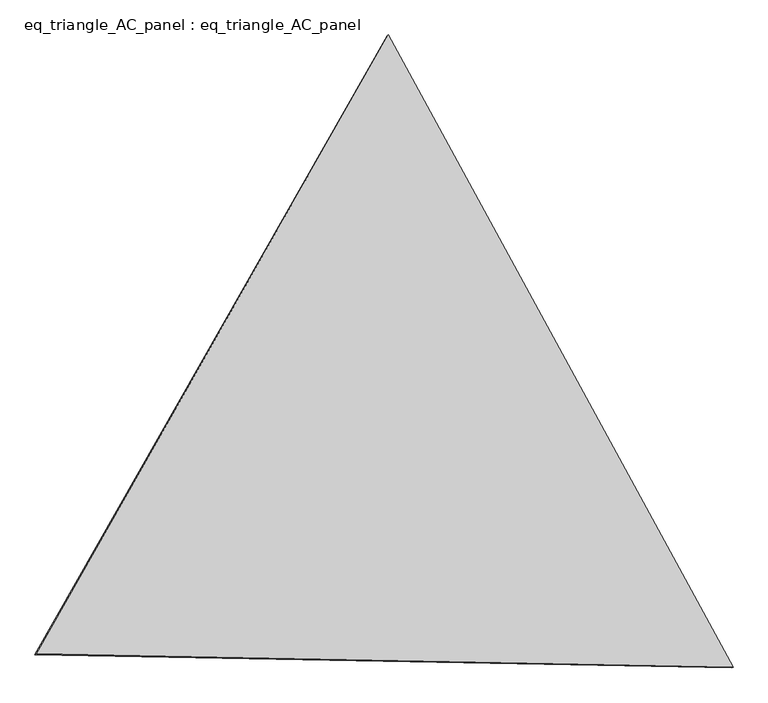
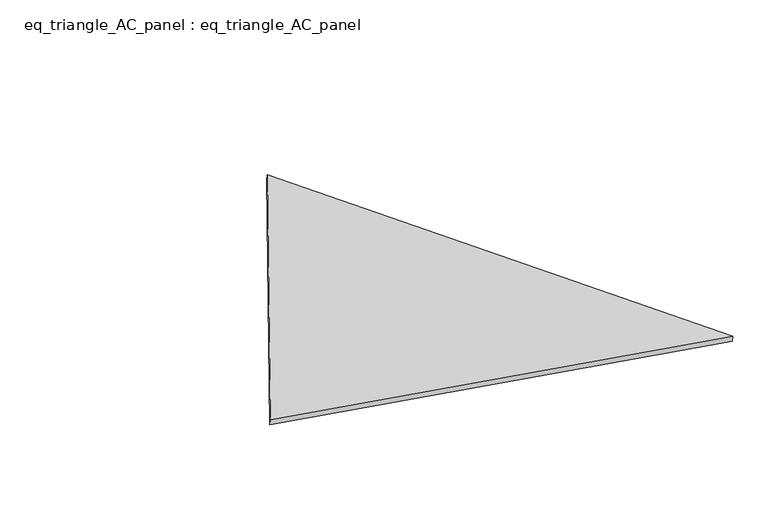
"""IFC4 building model written with IfcOpenShell, lengths in millimetres: proxy geometry, eq_triangle_AC_panel : eq_triangle_AC_panel."""

from ifc_helpers import new_model, si_unit, frame, origin, place, context, project, spatial, polyline, outline, extrude, source, transform, mapped, element, save


def eq_triangle_ac_panel_eq_triangle_ac_panel_65101434(model_context):
    return source(origin(), model_context, "Body", "SweptSolid", [
        extrude(outline(polyline([(-2091.3042311, 1173.1623944), (2032.8332138, 1173.1623944), (58.4710173, -2346.3247888), (-2091.3042311, 1173.1623944)])), frame((-6.3631761, 524.2531996, 46.6143561), z_axis=(0.14526328518058187, 0.08386570281802237, 0.9858321976225894), x_axis=(0.4785784215362578, -0.878034881364648, 0.004176307799055213)), (0.0, 0.0, 1.0), 43.8306294),
    ])


if __name__ == "__main__":
    model = new_model("IFC4")
    model_context = context("Model", 3, world=origin())
    ifc_project = project(units=[si_unit("LENGTHUNIT", "METRE", prefix="MILLI")], contexts=[model_context])
    site = spatial("IfcSite", under=ifc_project)
    building = spatial("IfcBuilding", under=site)
    placement = place(None, origin())
    eq_triangle_ac_panel_eq_triangle_ac_panel_shape = eq_triangle_ac_panel_eq_triangle_ac_panel_65101434(model_context)
    element("IfcBuildingElementProxy", 1, Name="eq_triangle_AC_panel : eq_triangle_AC_panel", ObjectType="eq_triangle_AC_panel : eq_triangle_AC_panel", at=placement, inside=building, context=model_context, shape_type="MappedRepresentation", body=[
        mapped(eq_triangle_ac_panel_eq_triangle_ac_panel_shape, transform((0.0, 0.0, 0.0), x_axis=(1.0, 0.0, 0.0), y_axis=(0.0, 1.0, 0.0), z_axis=(0.0, 0.0, 1.0))),
    ])
    save(model, "model.ifc")
